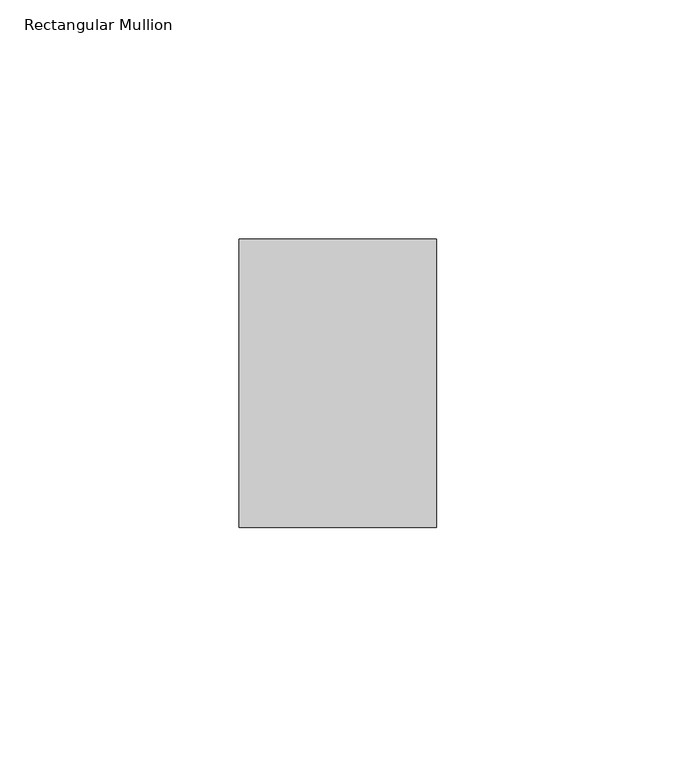
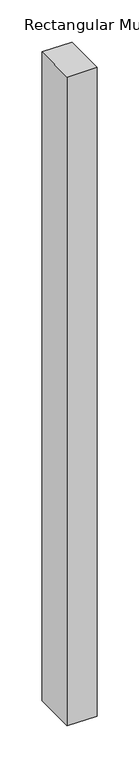
"""IFC4 building model written with IfcOpenShell, lengths in millimetres: member geometry, Rectangular Mullion."""

from ifc_helpers import new_model, si_unit, frame, origin, place, context, project, spatial, polyline, outline, extrude, source, transform, mapped, element, save


def rectangular_mullion_8f5d3c89(model_context):
    return source(origin(), model_context, "Body", "SweptSolid", [
        extrude(outline(polyline([(0.0, -50.8), (-41.275, -50.8), (-41.275, 9.525), (0.0, 9.525), (0.0, -50.8)])), frame((0.0, 0.0, -942.975), z_axis=(0.0, 0.0, 1.0), x_axis=(1.0, 0.0, 0.0)), (0.0, 0.0, 1.0), 942.975),
    ])


if __name__ == "__main__":
    model = new_model("IFC4")
    model_context = context("Model", 3, world=origin())
    ifc_project = project(units=[si_unit("LENGTHUNIT", "METRE", prefix="MILLI")], contexts=[model_context])
    site = spatial("IfcSite", under=ifc_project)
    building = spatial("IfcBuilding", under=site)
    placement = place(None, origin())
    rectangular_mullion_shape = rectangular_mullion_8f5d3c89(model_context)
    element("IfcMember", 1, ObjectType="Rectangular Mullion", at=placement, inside=building, context=model_context, shape_type="MappedRepresentation", body=[
        mapped(rectangular_mullion_shape, transform((0.0, 0.0, 0.0), x_axis=(1.0, 0.0, 0.0), y_axis=(0.0, 1.0, 0.0), z_axis=(0.0, 0.0, 1.0))),
    ])
    save(model, "model.ifc")
